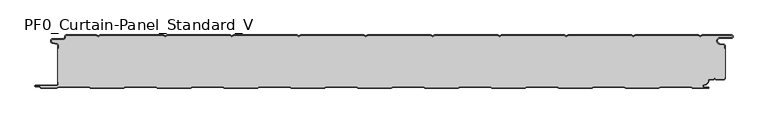
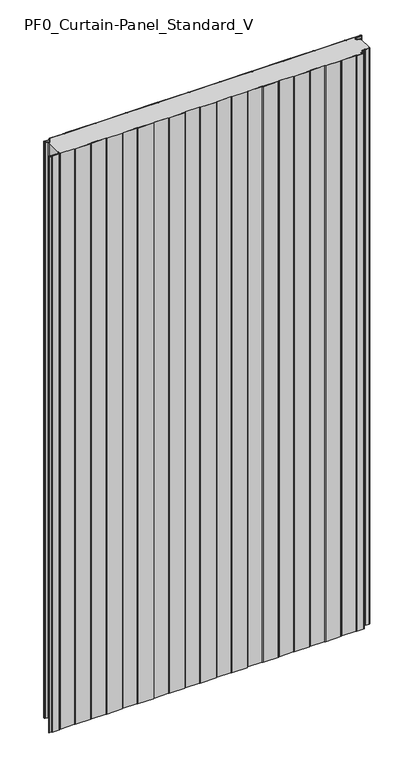
"""IFC4 building model written with IfcOpenShell, lengths in millimetres: plate geometry, PF0_Curtain-Panel_Standard_V."""

from ifc_helpers import new_model, si_unit, point, frame_2d, origin, origin_with_axes, place, context, project, spatial, polyline, circle_curve, trimmed, segment, composite_curve, outline, extrude, source, transform, mapped, element, save


def pf0_curtain_panel_standard_v_1d93a2c1(model_context):
    return source(origin(), model_context, "Body", "SweptSolid", [
        extrude(outline(composite_curve([segment(trimmed(circle_curve(frame_2d((-502.0, -15.878557)), 2.0), [point((-500.0, -15.878557))], [point((-501.5500978, -13.9298169))], True, "CARTESIAN"), True, "CONTINUOUS"), segment(polyline([(-501.5500978, -13.9298169), (-507.7098239, -12.507732)]), True, "CONTINUOUS"), segment(trimmed(circle_curve(frame_2d((-506.9, -9.0)), 3.6), [point((-507.7098239, -12.507732))], [point((-506.9, -5.4))], False, "CARTESIAN"), True, "CONTINUOUS"), segment(polyline([(-506.9, -5.4), (-491.4, -5.4)]), True, "CONTINUOUS"), segment(trimmed(circle_curve(frame_2d((-491.4, -3.4)), 2.0), [point((-491.4, -5.4))], [point((-489.4, -3.4))], True, "CARTESIAN"), True, "CONTINUOUS"), segment(polyline([(-489.4, -3.4), (-489.4, -2.0)]), True, "CONTINUOUS"), segment(trimmed(circle_curve(frame_2d((-487.4, -2.0)), 2.0), [point((-489.4, -2.0))], [point((-487.4, 0.0))], False, "CARTESIAN"), True, "CONTINUOUS"), segment(polyline([(-487.4, 0.0), (-442.0999995, 0.0), (-439.4, -1.5588455), (-436.7000005, 0.0), (-342.0999995, 0.0), (-339.4, -1.5588455), (-336.7000005, 0.0), (-242.0999995, 0.0), (-239.4, -1.5588455), (-236.7000005, 0.0), (-142.0999995, 0.0), (-139.4, -1.5588455), (-136.7000005, 0.0), (-42.0999995, 0.0), (-39.4, -1.5588455), (-36.7000005, 0.0), (57.9000005, 0.0), (60.6, -1.5588455), (63.2999995, 0.0), (157.9000005, 0.0), (160.6, -1.5588455), (163.2999995, 0.0), (257.9000005, 0.0), (260.6, -1.5588455), (263.2999995, 0.0), (357.9000005, 0.0), (360.6, -1.5588455), (363.2999995, 0.0), (457.9000005, 0.0), (460.6, -1.5588455), (463.2999995, 0.0), (507.268846, 0.0)]), True, "CONTINUOUS"), segment(trimmed(circle_curve(frame_2d((507.268846, -2.5)), 2.5), [point((507.268846, 0.0))], [point((507.268846, -5.0))], False, "CARTESIAN"), True, "CONTINUOUS"), segment(polyline([(507.268846, -5.0), (490.268846, -5.0)]), True, "CONTINUOUS"), segment(trimmed(circle_curve(frame_2d((490.268846, -9.0)), 4.0), [point((490.268846, -5.0))], [point((489.574253, -12.939231))], True, "CARTESIAN"), True, "CONTINUOUS"), segment(polyline([(489.574253, -12.939231), (496.0203315, -14.0758491)]), True, "CONTINUOUS"), segment(trimmed(circle_curve(frame_2d((495.568846, -16.6363492)), 2.6), [point((496.0203315, -14.0758491))], [point((498.168846, -16.6363492))], False, "CARTESIAN"), True, "CONTINUOUS"), segment(polyline([(498.168846, -16.6363492), (498.168846, -20.0), (497.368846, -20.0), (497.368846, -16.6363492)]), True, "CONTINUOUS"), segment(trimmed(circle_curve(frame_2d((495.568846, -16.6363492)), 1.8), [point((497.368846, -16.6363492))], [point((495.8814129, -14.8636953))], True, "CARTESIAN"), True, "CONTINUOUS"), segment(polyline([(495.8814129, -14.8636953), (489.4353344, -13.7270772)]), True, "CONTINUOUS"), segment(trimmed(circle_curve(frame_2d((490.268846, -9.0)), 4.8), [point((489.4353344, -13.7270772))], [point((490.268846, -4.2))], False, "CARTESIAN"), True, "CONTINUOUS"), segment(polyline([(490.268846, -4.2), (507.268846, -4.2)]), True, "CONTINUOUS"), segment(trimmed(circle_curve(frame_2d((507.268846, -2.5)), 1.7), [point((507.268846, -4.2))], [point((507.268846, -0.8))], True, "CARTESIAN"), True, "CONTINUOUS"), segment(polyline([(507.268846, -0.8), (463.5143588, -0.8), (460.6, -2.482606), (457.6856412, -0.8), (363.5143588, -0.8), (360.6, -2.482606), (357.6856412, -0.8), (263.5143588, -0.8), (260.6, -2.482606), (257.6856412, -0.8), (163.5143588, -0.8), (160.6, -2.482606), (157.6856412, -0.8), (63.5143588, -0.8), (60.6, -2.482606), (57.6856412, -0.8), (-36.4856412, -0.8), (-39.4, -2.482606), (-42.3143588, -0.8), (-136.4856412, -0.8), (-139.4, -2.482606), (-142.3143588, -0.8), (-236.4856412, -0.8), (-239.4, -2.482606), (-242.3143588, -0.8), (-336.4856412, -0.8), (-339.4, -2.482606), (-342.3143588, -0.8), (-436.4856412, -0.8), (-439.4, -2.482606), (-442.3143588, -0.8), (-487.4, -0.8)]), True, "CONTINUOUS"), segment(trimmed(circle_curve(frame_2d((-487.4, -2.0)), 1.2), [point((-487.4, -0.8))], [point((-488.6, -2.0))], True, "CARTESIAN"), True, "CONTINUOUS"), segment(polyline([(-488.6, -2.0), (-488.6, -3.4)]), True, "CONTINUOUS"), segment(trimmed(circle_curve(frame_2d((-491.4, -3.4)), 2.8), [point((-488.6, -3.4))], [point((-491.4, -6.2))], False, "CARTESIAN"), True, "CONTINUOUS"), segment(polyline([(-491.4, -6.2), (-506.9, -6.2)]), True, "CONTINUOUS"), segment(trimmed(circle_curve(frame_2d((-506.9, -9.0)), 2.8), [point((-506.9, -6.2))], [point((-507.529863, -11.7282362))], True, "CARTESIAN"), True, "CONTINUOUS"), segment(polyline([(-507.529863, -11.7282362), (-501.370137, -13.150321)]), True, "CONTINUOUS"), segment(trimmed(circle_curve(frame_2d((-502.0, -15.878557)), 2.8), [point((-501.370137, -13.150321))], [point((-499.2, -15.878557))], False, "CARTESIAN"), True, "CONTINUOUS"), segment(polyline([(-499.2, -15.878557), (-499.2, -20.0), (-500.0, -20.0), (-500.0, -15.878557)]), True, "CONTINUOUS")], self_intersect=False)), origin_with_axes(), (0.0, 0.0, 1.0), 1945.7507136),
        extrude(outline(composite_curve([segment(polyline([(-499.2, -70.0), (-500.0, -70.0), (-500.0, -20.0), (-499.2, -20.0), (-499.2, -15.878557)]), True, "CONTINUOUS"), segment(trimmed(circle_curve(frame_2d((-502.0, -15.878557)), 2.8), [point((-499.2, -15.878557))], [point((-501.370137, -13.1503208))], True, "CARTESIAN"), True, "CONTINUOUS"), segment(polyline([(-501.370137, -13.1503208), (-507.529863, -11.7282362)]), True, "CONTINUOUS"), segment(trimmed(circle_curve(frame_2d((-506.9, -9.0)), 2.8), [point((-507.529863, -11.7282362))], [point((-506.9, -6.2))], False, "CARTESIAN"), True, "CONTINUOUS"), segment(polyline([(-506.9, -6.2), (-491.4, -6.2)]), True, "CONTINUOUS"), segment(trimmed(circle_curve(frame_2d((-491.4, -3.4)), 2.8), [point((-491.4, -6.2))], [point((-488.6, -3.4))], True, "CARTESIAN"), True, "CONTINUOUS"), segment(polyline([(-488.6, -3.4), (-488.6, -2.0)]), True, "CONTINUOUS"), segment(trimmed(circle_curve(frame_2d((-487.4, -2.0)), 1.2), [point((-488.6, -2.0))], [point((-487.4, -0.8))], False, "CARTESIAN"), True, "CONTINUOUS"), segment(polyline([(-487.4, -0.8), (-442.3143588, -0.8), (-439.4, -2.482606), (-436.4856412, -0.8), (-342.3143588, -0.8), (-339.4, -2.482606), (-336.4856412, -0.8), (-242.3143588, -0.8), (-239.4, -2.482606), (-236.4856412, -0.8), (-142.3143588, -0.8), (-139.4, -2.482606), (-136.4856412, -0.8), (-42.3143588, -0.8), (-39.4, -2.482606), (-36.4856412, -0.8), (57.6856412, -0.8), (60.6, -2.482606), (63.5143588, -0.8), (157.6856412, -0.8), (160.6, -2.482606), (163.5143588, -0.8), (257.6856412, -0.8), (260.6, -2.482606), (263.5143588, -0.8), (357.6856412, -0.8), (360.6, -2.482606), (363.5143588, -0.8), (457.6856412, -0.8), (460.6, -2.482606), (463.5143588, -0.8), (507.268846, -0.8)]), True, "CONTINUOUS"), segment(trimmed(circle_curve(frame_2d((507.268846, -2.5)), 1.7), [point((507.268846, -0.8))], [point((507.268846, -4.2))], False, "CARTESIAN"), True, "CONTINUOUS"), segment(polyline([(507.268846, -4.2), (490.268846, -4.2)]), True, "CONTINUOUS"), segment(trimmed(circle_curve(frame_2d((490.268846, -9.0)), 4.8), [point((490.268846, -4.2))], [point((489.4353344, -13.7270772))], True, "CARTESIAN"), True, "CONTINUOUS"), segment(polyline([(489.4353344, -13.7270772), (495.8814129, -14.8636953)]), True, "CONTINUOUS"), segment(trimmed(circle_curve(frame_2d((495.568846, -16.6363492)), 1.8), [point((495.8814129, -14.8636953))], [point((497.368846, -16.6363492))], False, "CARTESIAN"), True, "CONTINUOUS"), segment(polyline([(497.368846, -16.6363492), (497.368846, -20.0), (498.168846, -20.0), (498.168846, -63.0), (497.368846, -63.0), (497.368846, -64.4)]), True, "CONTINUOUS"), segment(trimmed(circle_curve(frame_2d((495.568846, -64.4)), 1.8), [point((497.368846, -64.4))], [point((495.568846, -66.2))], False, "CARTESIAN"), True, "CONTINUOUS"), segment(polyline([(495.568846, -66.2), (484.0002158, -66.2), (482.168846, -64.3686285), (480.3374762, -66.2), (474.168846, -66.2)]), True, "CONTINUOUS"), segment(trimmed(circle_curve(frame_2d((474.168846, -68.0)), 1.8), [point((474.168846, -66.2))], [point((472.368846, -68.0))], True, "CARTESIAN"), True, "CONTINUOUS"), segment(polyline([(472.368846, -68.0), (472.368846, -68.8276204)]), True, "CONTINUOUS"), segment(trimmed(circle_curve(frame_2d((466.9964664, -68.8276204)), 5.3723796), [point((472.368846, -68.8276204))], [point((466.9964664, -74.2))], False, "CARTESIAN"), True, "CONTINUOUS"), segment(polyline([(466.9964664, -74.2), (466.168846, -74.2)]), True, "CONTINUOUS"), segment(trimmed(circle_curve(frame_2d((466.168846, -76.4)), 2.2), [point((466.168846, -74.2))], [point((466.168846, -78.6))], True, "CARTESIAN"), True, "CONTINUOUS"), segment(polyline([(466.168846, -78.6), (472.0579973, -78.6)]), True, "CONTINUOUS"), segment(trimmed(circle_curve(frame_2d((472.0579973, -78.9)), 0.3), [point((472.0579973, -78.6))], [point((472.0579973, -79.2))], False, "CARTESIAN"), True, "CONTINUOUS"), segment(polyline([(472.0579973, -79.2), (449.2152562, -79.2), (446.6171786, -77.7), (401.3884624, -77.7), (398.7903848, -79.2), (349.2152562, -79.2), (346.6171786, -77.7), (301.3884624, -77.7), (298.7903848, -79.2), (249.2152562, -79.2), (246.6171786, -77.7), (201.3884624, -77.7), (198.7903848, -79.2), (149.2152562, -79.2), (146.6171786, -77.7), (101.3884624, -77.7), (98.7903848, -79.2), (49.2152562, -79.2), (46.6171786, -77.7), (1.3884624, -77.7), (-1.2096152, -79.2), (-50.7847438, -79.2), (-53.3828214, -77.7), (-98.6115376, -77.7), (-101.2096152, -79.2), (-150.7847438, -79.2), (-153.3828214, -77.7), (-198.6115376, -77.7), (-201.2096152, -79.2), (-250.7847438, -79.2), (-253.3828214, -77.7), (-298.6115376, -77.7), (-301.2096152, -79.2), (-350.7847438, -79.2), (-353.3828214, -77.7), (-398.6115376, -77.7), (-401.2096152, -79.2), (-450.7847438, -79.2), (-453.3828214, -77.7), (-498.6115376, -77.7), (-501.2096152, -79.2), (-524.4, -79.2)]), True, "CONTINUOUS"), segment(trimmed(circle_curve(frame_2d((-524.4, -78.4)), 0.8), [point((-524.4, -79.2))], [point((-525.2, -78.4))], False, "CARTESIAN"), True, "CONTINUOUS"), segment(trimmed(circle_curve(frame_2d((-526.9, -78.6133333)), 1.7133333), [point((-525.2, -78.4))], [point((-526.9, -76.9))], True, "CARTESIAN"), True, "CONTINUOUS"), segment(polyline([(-526.9, -76.9), (-532.8700312, -76.9)]), True, "CONTINUOUS"), segment(trimmed(circle_curve(frame_2d((-532.8700312, -76.6)), 0.3), [point((-532.8700312, -76.9))], [point((-532.8700312, -76.3))], False, "CARTESIAN"), True, "CONTINUOUS"), segment(polyline([(-532.8700312, -76.3), (-502.0, -76.3)]), True, "CONTINUOUS"), segment(trimmed(circle_curve(frame_2d((-502.0, -73.5)), 2.8), [point((-502.0, -76.3))], [point((-499.2, -73.5))], True, "CARTESIAN"), True, "CONTINUOUS"), segment(polyline([(-499.2, -73.5), (-499.2, -70.0)]), True, "CONTINUOUS")], self_intersect=False)), origin_with_axes(), (0.0, 0.0, 1.0), 1945.7507136),
        extrude(outline(composite_curve([segment(polyline([(-500.0, -70.0), (-499.2, -70.0), (-499.2, -73.5)]), True, "CONTINUOUS"), segment(trimmed(circle_curve(frame_2d((-502.0, -73.5)), 2.8), [point((-499.2, -73.5))], [point((-502.0, -76.3))], False, "CARTESIAN"), True, "CONTINUOUS"), segment(polyline([(-502.0, -76.3), (-532.8700312, -76.3)]), True, "CONTINUOUS"), segment(trimmed(circle_curve(frame_2d((-532.8700312, -76.6)), 0.3), [point((-532.8700312, -76.3))], [point((-532.8700312, -76.9))], True, "CARTESIAN"), True, "CONTINUOUS"), segment(polyline([(-532.8700312, -76.9), (-526.9, -76.9)]), True, "CONTINUOUS"), segment(trimmed(circle_curve(frame_2d((-526.9, -78.6133333)), 1.7133333), [point((-526.9, -76.9))], [point((-525.2, -78.4))], False, "CARTESIAN"), True, "CONTINUOUS"), segment(trimmed(circle_curve(frame_2d((-524.4, -78.4)), 0.8), [point((-525.2, -78.4))], [point((-524.4, -79.2))], True, "CARTESIAN"), True, "CONTINUOUS"), segment(polyline([(-524.4, -79.2), (-501.2096152, -79.2), (-498.6115376, -77.7), (-453.3828214, -77.7), (-450.7847438, -79.2), (-401.2096152, -79.2), (-398.6115376, -77.7), (-353.3828214, -77.7), (-350.7847438, -79.2), (-301.2096152, -79.2), (-298.6115376, -77.7), (-253.3828214, -77.7), (-250.7847438, -79.2), (-201.2096152, -79.2), (-198.6115376, -77.7), (-153.3828214, -77.7), (-150.7847438, -79.2), (-101.2096152, -79.2), (-98.6115376, -77.7), (-53.3828214, -77.7), (-50.7847438, -79.2), (-1.2096152, -79.2), (1.3884624, -77.7), (46.6171786, -77.7), (49.2152562, -79.2), (98.7903848, -79.2), (101.3884624, -77.7), (146.6171786, -77.7), (149.2152562, -79.2), (198.7903848, -79.2), (201.3884624, -77.7), (246.6171786, -77.7), (249.2152562, -79.2), (298.7903848, -79.2), (301.3884624, -77.7), (346.6171786, -77.7), (349.2152562, -79.2), (398.7903848, -79.2), (401.3884624, -77.7), (446.6171786, -77.7), (449.2152562, -79.2), (472.0579973, -79.2)]), True, "CONTINUOUS"), segment(trimmed(circle_curve(frame_2d((472.0579973, -78.9)), 0.3), [point((472.0579973, -79.2))], [point((472.0579973, -78.6))], True, "CARTESIAN"), True, "CONTINUOUS"), segment(polyline([(472.0579973, -78.6), (466.168846, -78.6)]), True, "CONTINUOUS"), segment(trimmed(circle_curve(frame_2d((466.168846, -76.4)), 2.2), [point((466.168846, -78.6))], [point((466.168846, -74.2))], False, "CARTESIAN"), True, "CONTINUOUS"), segment(polyline([(466.168846, -74.2), (466.9964664, -74.2)]), True, "CONTINUOUS"), segment(trimmed(circle_curve(frame_2d((466.9964664, -68.8276204)), 5.3723796), [point((466.9964664, -74.2))], [point((472.368846, -68.8276204))], True, "CARTESIAN"), True, "CONTINUOUS"), segment(polyline([(472.368846, -68.8276204), (472.368846, -68.0)]), True, "CONTINUOUS"), segment(trimmed(circle_curve(frame_2d((474.168846, -68.0)), 1.8), [point((472.368846, -68.0))], [point((474.168846, -66.2))], False, "CARTESIAN"), True, "CONTINUOUS"), segment(polyline([(474.168846, -66.2), (480.3374762, -66.2), (482.168846, -64.3686285), (484.0002158, -66.2), (495.568846, -66.2)]), True, "CONTINUOUS"), segment(trimmed(circle_curve(frame_2d((495.568846, -64.4)), 1.8), [point((495.568846, -66.2))], [point((497.368846, -64.4))], True, "CARTESIAN"), True, "CONTINUOUS"), segment(polyline([(497.368846, -64.4), (497.368846, -63.0), (498.168846, -63.0), (498.168846, -64.4)]), True, "CONTINUOUS"), segment(trimmed(circle_curve(frame_2d((495.568846, -64.4)), 2.6), [point((498.168846, -64.4))], [point((495.568846, -67.0))], False, "CARTESIAN"), True, "CONTINUOUS"), segment(polyline([(495.568846, -67.0), (483.6688448, -67.0), (482.168846, -65.4999999), (480.6688472, -67.0), (474.168846, -67.0)]), True, "CONTINUOUS"), segment(trimmed(circle_curve(frame_2d((474.168846, -68.0)), 1.0), [point((474.168846, -67.0))], [point((473.168846, -68.0))], True, "CARTESIAN"), True, "CONTINUOUS"), segment(polyline([(473.168846, -68.0), (473.168846, -68.8276204)]), True, "CONTINUOUS"), segment(trimmed(circle_curve(frame_2d((466.9964664, -68.8276204)), 6.1723796), [point((473.168846, -68.8276204))], [point((466.9964664, -75.0))], False, "CARTESIAN"), True, "CONTINUOUS"), segment(polyline([(466.9964664, -75.0), (466.168846, -75.0)]), True, "CONTINUOUS"), segment(trimmed(circle_curve(frame_2d((466.168846, -76.5)), 1.5), [point((466.168846, -75.0))], [point((466.168846, -78.0))], True, "CARTESIAN"), True, "CONTINUOUS"), segment(polyline([(466.168846, -78.0), (472.168846, -78.0)]), True, "CONTINUOUS"), segment(trimmed(circle_curve(frame_2d((472.168846, -79.0)), 1.0), [point((472.168846, -78.0))], [point((472.168846, -80.0))], False, "CARTESIAN"), True, "CONTINUOUS"), segment(polyline([(472.168846, -80.0), (449.0008969, -80.0), (446.4028193, -78.5), (401.6028217, -78.5), (399.0047441, -80.0), (349.0008969, -80.0), (346.4028193, -78.5), (301.6028217, -78.5), (299.0047441, -80.0), (249.0008969, -80.0), (246.4028193, -78.5), (201.6028217, -78.5), (199.0047441, -80.0), (149.0008969, -80.0), (146.4028193, -78.5), (101.6028217, -78.5), (99.0047441, -80.0), (49.0008969, -80.0), (46.4028193, -78.5), (1.6028217, -78.5), (-0.9952559, -80.0), (-50.9991031, -80.0), (-53.5971807, -78.5), (-98.3971783, -78.5), (-100.9952559, -80.0), (-150.9991031, -80.0), (-153.5971807, -78.5), (-198.3971783, -78.5), (-200.9952559, -80.0), (-250.9991031, -80.0), (-253.5971807, -78.5), (-298.3971783, -78.5), (-300.9952559, -80.0), (-350.9991031, -80.0), (-353.5971807, -78.5), (-398.3971783, -78.5), (-400.9952559, -80.0), (-450.9991031, -80.0), (-453.5971807, -78.5), (-498.3971783, -78.5), (-500.9952559, -80.0), (-524.4, -80.0)]), True, "CONTINUOUS"), segment(trimmed(circle_curve(frame_2d((-524.4, -78.4)), 1.6), [point((-524.4, -80.0))], [point((-526.0, -78.4))], False, "CARTESIAN"), True, "CONTINUOUS"), segment(trimmed(circle_curve(frame_2d((-526.9, -78.4)), 0.9), [point((-526.0, -78.4))], [point((-526.9, -77.5))], True, "CARTESIAN"), True, "CONTINUOUS"), segment(polyline([(-526.9, -77.5), (-533.0, -77.5)]), True, "CONTINUOUS"), segment(trimmed(circle_curve(frame_2d((-533.0, -76.5)), 1.0), [point((-533.0, -77.5))], [point((-533.0, -75.5))], False, "CARTESIAN"), True, "CONTINUOUS"), segment(polyline([(-533.0, -75.5), (-502.0, -75.5)]), True, "CONTINUOUS"), segment(trimmed(circle_curve(frame_2d((-502.0, -73.5)), 2.0), [point((-502.0, -75.5))], [point((-500.0, -73.5))], True, "CARTESIAN"), True, "CONTINUOUS"), segment(polyline([(-500.0, -73.5), (-500.0, -70.0)]), True, "CONTINUOUS")], self_intersect=False)), origin_with_axes(), (0.0, 0.0, 1.0), 1945.7507136),
    ])


if __name__ == "__main__":
    model = new_model("IFC4")
    model_context = context("Model", 3, world=origin())
    ifc_project = project(units=[si_unit("LENGTHUNIT", "METRE", prefix="MILLI")], contexts=[model_context])
    site = spatial("IfcSite", under=ifc_project)
    building = spatial("IfcBuilding", under=site)
    placement = place(None, origin())
    pf0_curtain_panel_standard_v_shape = pf0_curtain_panel_standard_v_1d93a2c1(model_context)
    element("IfcPlate", 1, ObjectType="PF0_Curtain-Panel_Standard_V", at=placement, inside=building, context=model_context, shape_type="MappedRepresentation", body=[
        mapped(pf0_curtain_panel_standard_v_shape, transform((0.0, 0.0, 0.0), x_axis=(1.0, 0.0, 0.0), y_axis=(0.0, 1.0, 0.0), z_axis=(0.0, 0.0, 1.0))),
    ])
    save(model, "model.ifc")
